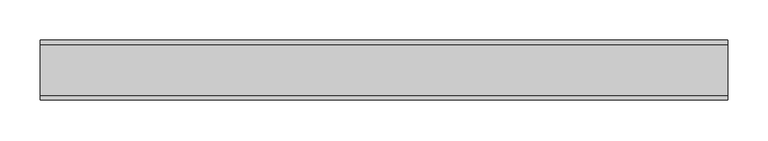
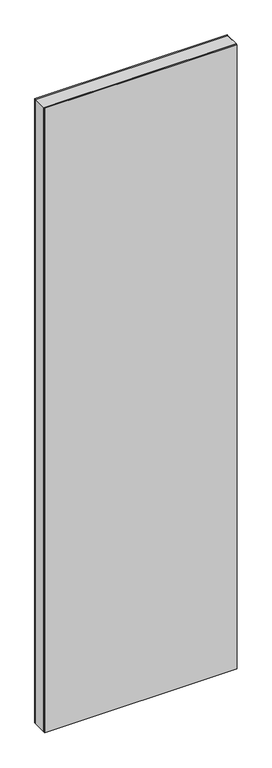
"""IFC4 building model written with IfcOpenShell, lengths in millimetres: plate geometry."""

from ifc_helpers import new_model, si_unit, frame, origin, origin_with_axes, place, context, project, spatial, polyline, outline, extrude, source, transform, mapped, element, save


def plate_8d807b9e(model_context):
    return source(origin(), model_context, "Body", "SweptSolid", [
        extrude(outline(polyline([(2915.0, -425.3847577), (0.0, -425.3847577), (0.0, 425.3847577), (2915.0, 425.3847577), (2915.0, -425.3847577)]), holes=[polyline([(2914.0, -424.3847577), (2914.0, 424.3847577), (1.0, 424.3847577), (1.0, -424.3847577), (2914.0, -424.3847577)])]), frame((0.0, -31.2, 0.0), z_axis=(0.0, 1.0, 0.0), x_axis=(0.0, 0.0, 1.0)), (0.0, 0.0, 1.0), 62.4),
        extrude(outline(polyline([(425.3847577, 31.2), (-425.3847577, 31.2), (-425.3847577, 37.2), (425.3847577, 37.2), (425.3847577, 31.2)])), origin_with_axes(), (0.0, 0.0, 1.0), 2915.0),
        extrude(outline(polyline([(-425.3847577, -37.2), (-425.3847577, -31.2), (425.3847577, -31.2), (425.3847577, -37.2), (-425.3847577, -37.2)])), origin_with_axes(), (0.0, 0.0, 1.0), 2915.0),
    ])


if __name__ == "__main__":
    model = new_model("IFC4")
    model_context = context("Model", 3, world=origin())
    ifc_project = project(units=[si_unit("LENGTHUNIT", "METRE", prefix="MILLI")], contexts=[model_context])
    site = spatial("IfcSite", under=ifc_project)
    building = spatial("IfcBuilding", under=site)
    placement = place(None, origin())
    plate_shape = plate_8d807b9e(model_context)
    element("IfcPlate", 1, at=placement, inside=building, context=model_context, shape_type="MappedRepresentation", body=[
        mapped(plate_shape, transform((0.0, 0.0, 0.0), x_axis=(1.0, 0.0, 0.0), y_axis=(0.0, 1.0, 0.0), z_axis=(0.0, 0.0, 1.0))),
    ])
    save(model, "model.ifc")
